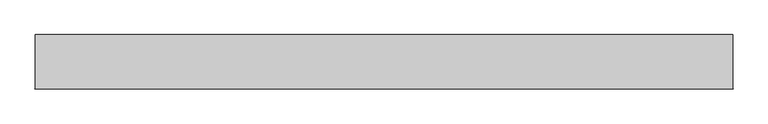
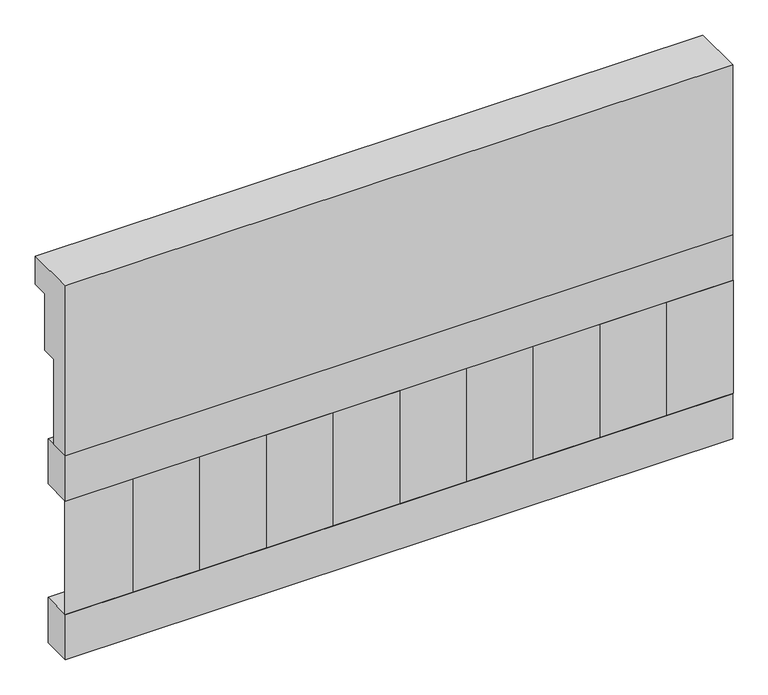
"""IFC4 building model written with IfcOpenShell, lengths in millimetres: railing geometry."""

from ifc_helpers import new_model, si_unit, frame, origin, place, context, project, spatial, polyline, outline, extrude, source, transform, mapped, element, save


def railing_7df0b9a4(model_context):
    return source(origin(), model_context, "Body", "SweptSolid", [
        extrude(outline(polyline([(903.1079487, 25100.0), (1033.1079487, 25100.0), (1033.1079487, 25025.0), (993.1079487, 25025.0), (993.1079487, 24875.0), (953.1079487, 24875.0), (953.1079487, 24650.0), (903.1079487, 24650.0), (903.1079487, 25100.0)])), frame((33090.0112841, 0.0, 0.0), z_axis=(1.0, 0.0, 0.0), x_axis=(0.0, 1.0, 0.0)), (0.0, 0.0, 1.0), 1670.0),
        extrude(outline(polyline([(34760.0112841, 978.1079487), (34760.0112841, 903.1079487), (33090.0112841, 903.1079487), (33090.0112841, 978.1079487), (34760.0112841, 978.1079487)])), frame((0.0, 0.0, 24530.0), z_axis=(0.0, 0.0, 1.0), x_axis=(1.0, 0.0, 0.0)), (0.0, 0.0, 1.0), 120.0),
        extrude(outline(polyline([(34760.0112841, 978.1079487), (34760.0112841, 903.1079487), (33090.0112841, 903.1079487), (33090.0112841, 978.1079487), (34760.0112841, 978.1079487)])), frame((0.0, 0.0, 24110.0), z_axis=(0.0, 0.0, 1.0), x_axis=(1.0, 0.0, 0.0)), (0.0, 0.0, 1.0), 120.0),
        extrude(outline(polyline([(33173.5112841, 987.9607624), (33258.3640978, 903.1079487), (33088.6584704, 903.1079487), (33173.5112841, 987.9607624)])), frame((0.0, 0.0, 24230.0), z_axis=(0.0, 0.0, 1.0), x_axis=(1.0, 0.0, 0.0)), (0.0, 0.0, 1.0), 300.0),
        extrude(outline(polyline([(33340.5112841, 987.9607624), (33425.3640978, 903.1079487), (33255.6584704, 903.1079487), (33340.5112841, 987.9607624)])), frame((0.0, 0.0, 24230.0), z_axis=(0.0, 0.0, 1.0), x_axis=(1.0, 0.0, 0.0)), (0.0, 0.0, 1.0), 300.0),
        extrude(outline(polyline([(33507.5112841, 987.9607624), (33592.3640978, 903.1079487), (33422.6584704, 903.1079487), (33507.5112841, 987.9607624)])), frame((0.0, 0.0, 24230.0), z_axis=(0.0, 0.0, 1.0), x_axis=(1.0, 0.0, 0.0)), (0.0, 0.0, 1.0), 300.0),
        extrude(outline(polyline([(33674.5112841, 987.9607624), (33759.3640978, 903.1079487), (33589.6584704, 903.1079487), (33674.5112841, 987.9607624)])), frame((0.0, 0.0, 24230.0), z_axis=(0.0, 0.0, 1.0), x_axis=(1.0, 0.0, 0.0)), (0.0, 0.0, 1.0), 300.0),
        extrude(outline(polyline([(33841.5112841, 987.9607624), (33926.3640978, 903.1079487), (33756.6584704, 903.1079487), (33841.5112841, 987.9607624)])), frame((0.0, 0.0, 24230.0), z_axis=(0.0, 0.0, 1.0), x_axis=(1.0, 0.0, 0.0)), (0.0, 0.0, 1.0), 300.0),
        extrude(outline(polyline([(34008.5112841, 987.9607624), (34093.3640978, 903.1079487), (33923.6584704, 903.1079487), (34008.5112841, 987.9607624)])), frame((0.0, 0.0, 24230.0), z_axis=(0.0, 0.0, 1.0), x_axis=(1.0, 0.0, 0.0)), (0.0, 0.0, 1.0), 300.0),
        extrude(outline(polyline([(34175.5112841, 987.9607624), (34260.3640978, 903.1079487), (34090.6584704, 903.1079487), (34175.5112841, 987.9607624)])), frame((0.0, 0.0, 24230.0), z_axis=(0.0, 0.0, 1.0), x_axis=(1.0, 0.0, 0.0)), (0.0, 0.0, 1.0), 300.0),
        extrude(outline(polyline([(34342.5112841, 987.9607624), (34427.3640978, 903.1079487), (34257.6584704, 903.1079487), (34342.5112841, 987.9607624)])), frame((0.0, 0.0, 24230.0), z_axis=(0.0, 0.0, 1.0), x_axis=(1.0, 0.0, 0.0)), (0.0, 0.0, 1.0), 300.0),
        extrude(outline(polyline([(34509.5112841, 987.9607624), (34594.3640978, 903.1079487), (34424.6584704, 903.1079487), (34509.5112841, 987.9607624)])), frame((0.0, 0.0, 24230.0), z_axis=(0.0, 0.0, 1.0), x_axis=(1.0, 0.0, 0.0)), (0.0, 0.0, 1.0), 300.0),
        extrude(outline(polyline([(34676.5112841, 987.9607624), (34761.3640978, 903.1079487), (34591.6584704, 903.1079487), (34676.5112841, 987.9607624)])), frame((0.0, 0.0, 24230.0), z_axis=(0.0, 0.0, 1.0), x_axis=(1.0, 0.0, 0.0)), (0.0, 0.0, 1.0), 300.0),
    ])


if __name__ == "__main__":
    model = new_model("IFC4")
    model_context = context("Model", 3, world=origin())
    ifc_project = project(units=[si_unit("LENGTHUNIT", "METRE", prefix="MILLI")], contexts=[model_context])
    site = spatial("IfcSite", under=ifc_project)
    building = spatial("IfcBuilding", under=site)
    placement = place(None, origin())
    railing_shape = railing_7df0b9a4(model_context)
    element("IfcRailing", 1, at=placement, inside=building, context=model_context, shape_type="MappedRepresentation", body=[
        mapped(railing_shape, transform((0.0, 0.0, 0.0), x_axis=(1.0, 0.0, 0.0), y_axis=(0.0, 1.0, 0.0), z_axis=(0.0, 0.0, 1.0))),
    ])
    save(model, "model.ifc")
